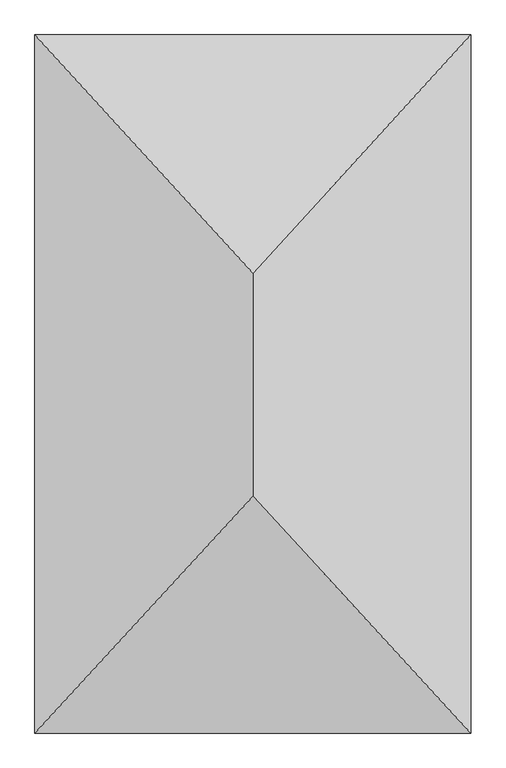
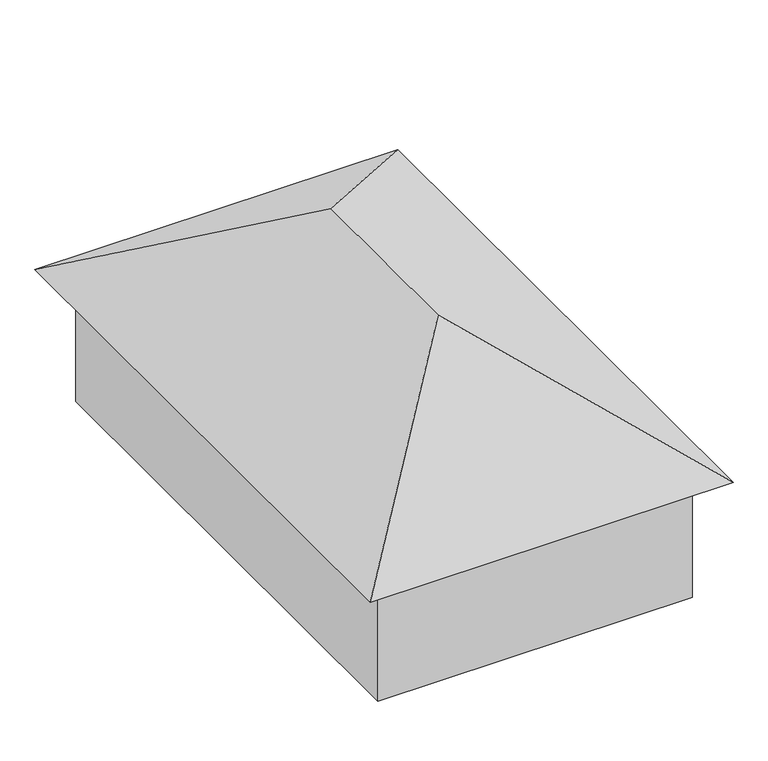
"""IFC4 building model written with IfcOpenShell, lengths in millimetres: geographic element geometry."""

from ifc_helpers import new_model, si_unit, origin, place, context, project, spatial, triangles, source, transform, mapped, element, save


def geographic_element_961e8258(model_context):
    return source(origin(), model_context, "Body", "Tessellation", [
        triangles([(6135.8481491, 13509.8067719, 2365.0739525), (441.7258718, 13509.8067719, 0.0), (441.7258718, 13509.8067719, 2365.0739525), (6135.8481491, 13509.8067719, 0.0), (6135.8481491, 4028.9973885, 0.0), (441.7258718, 4028.9973885, 0.0), (441.7258718, 4028.9973885, 2365.0739525), (6135.8481491, 4028.9973885, 2365.0739525), (3288.7870468, 10442.1137878, 4562.2000168), (6577.5740936, 14031.0435608, 2365.0739525), (0.0, 14031.0435608, 2365.0739525), (6577.5740936, 3507.7608902, 2365.0739525), (3288.7870468, 7073.6159088, 4562.2000168), (0.0, 3507.7608902, 2365.0739525)], [[1, 2, 3], [2, 1, 4], [5, 2, 4], [2, 5, 6], [7, 2, 6], [2, 7, 3], [1, 5, 4], [5, 1, 8], [5, 7, 6], [7, 5, 8], [7, 1, 3], [1, 7, 8], [9, 10, 11], [12, 13, 14], [9, 12, 10], [12, 9, 13], [12, 11, 10], [11, 12, 14], [14, 9, 11], [9, 14, 13]]),
    ])


if __name__ == "__main__":
    model = new_model("IFC4")
    model_context = context("Model", 3, world=origin())
    ifc_project = project(units=[si_unit("LENGTHUNIT", "METRE", prefix="MILLI")], contexts=[model_context])
    site = spatial("IfcSite", under=ifc_project)
    building = spatial("IfcBuilding", under=site)
    placement = place(None, origin())
    geographic_element_shape = geographic_element_961e8258(model_context)
    element("IfcGeographicElement", 1, at=placement, inside=building, context=model_context, shape_type="MappedRepresentation", body=[
        mapped(geographic_element_shape, transform((0.0, 0.0, 0.0), x_axis=(1.0, 0.0, 0.0), y_axis=(0.0, 1.0, 0.0), z_axis=(0.0, 0.0, 1.0))),
    ])
    save(model, "model.ifc")
